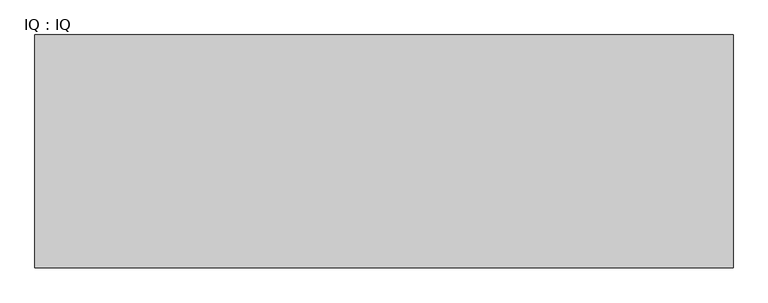
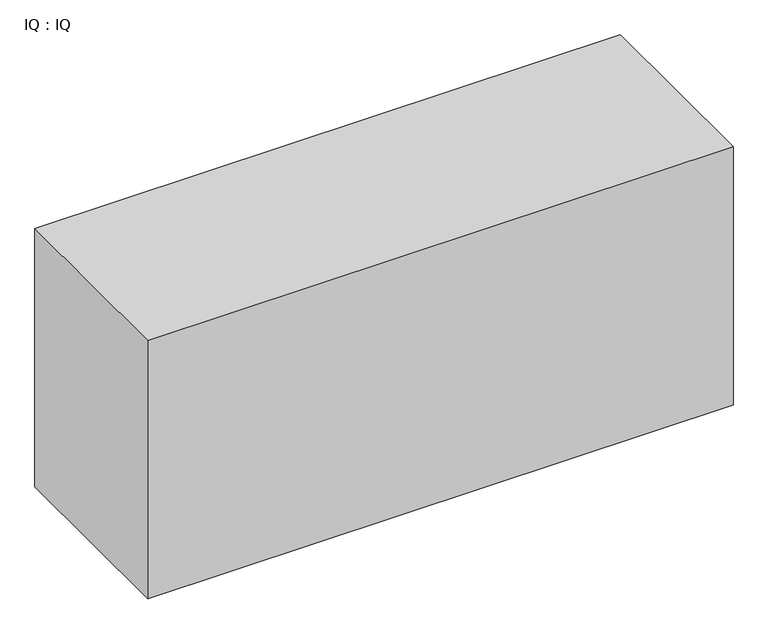
"""IFC4 building model written with IfcOpenShell, lengths in millimetres: proxy geometry, IQ : IQ."""

import ifcopenshell
import ifcopenshell.guid

model = None  # the IFC model being written
_history = None  # IfcOwnerHistory: only IFC2X3 demands one
_inside = {}  # id of a spatial element -> (the spatial element, [elements in it])
_under = {}  # id of a project, library or spatial element -> (it, [spatial elements below it])
_declared = {}  # id of a project -> (the project, [libraries it declares])
_typed = {}  # id of a type object -> (the type object, [elements of that type])
_made_of = {}  # id of a material, layer set ... -> (it, [elements and type objects made of it])


def new_model(schema):
    """Start an empty IFC model of exactly this schema.

    Asked for "IFC4X3", IfcOpenShell would pick the latest addendum, in which some entities
    have other attributes; the version numbers below select the first issue.
    IFC2X3 requires an IfcOwnerHistory on every rooted entity: one is made here for all.
    """
    global model, _history
    if schema == "IFC4X3":
        model = ifcopenshell.file(schema_version=(4, 3, 0, 0))
    else:
        model = ifcopenshell.file(schema=schema)
    _inside.clear()
    _under.clear()
    _declared.clear()
    _typed.clear()
    _made_of.clear()
    _history = None
    if model.schema == "IFC2X3":
        org = make("IfcOrganization", Name="unknown")
        user = make(
            "IfcPersonAndOrganization",
            ThePerson=make("IfcPerson", FamilyName="unknown"),
            TheOrganization=org,
        )
        app = make(
            "IfcApplication",
            ApplicationDeveloper=org,
            Version="unknown",
            ApplicationFullName="unknown",
            ApplicationIdentifier="unknown",
        )
        _history = make(
            "IfcOwnerHistory",
            OwningUser=user,
            OwningApplication=app,
            ChangeAction="ADDED",
            CreationDate=0,
        )
    return model


def make(cls, **values):
    """One entity of the class cls with the attributes given. An attribute that is None is left unset."""
    return model.create_entity(
        cls, **{name: value for name, value in values.items() if value is not None}
    )


def rooted(cls, **values):
    """An entity with a GlobalId (a new one), such as an element, a storey or a relation."""
    return make(cls, GlobalId=ifcopenshell.guid.new(), OwnerHistory=_history, **values)


def si_unit(unit_type, name, prefix=None):
    """IfcSIUnit, for example si_unit("LENGTHUNIT", "METRE", prefix="MILLI")."""
    return make("IfcSIUnit", UnitType=unit_type, Prefix=prefix, Name=name)


def assignment(units):
    """IfcUnitAssignment: the units of a project."""
    return None if units is None else make("IfcUnitAssignment", Units=units)


def point(xyz):
    """IfcCartesianPoint."""
    return None if xyz is None else make("IfcCartesianPoint", Coordinates=xyz)


def direction(xyz):
    """IfcDirection."""
    return None if xyz is None else make("IfcDirection", DirectionRatios=xyz)


def frame(location, z_axis=None, x_axis=None):
    """IfcAxis2Placement3D, a coordinate frame: its origin and axes. An axis left out is left unset."""
    return make(
        "IfcAxis2Placement3D",
        Location=point(location),
        Axis=direction(z_axis),
        RefDirection=direction(x_axis),
    )


def origin():
    """The frame at (0, 0, 0) with its axes left unset."""
    return frame((0.0, 0.0, 0.0))


def origin_with_axes():
    """The frame at (0, 0, 0) with the z axis (0, 0, 1) and the x axis (1, 0, 0) written out."""
    return frame((0.0, 0.0, 0.0), z_axis=(0.0, 0.0, 1.0), x_axis=(1.0, 0.0, 0.0))


def place(relative_to, where):
    """IfcLocalPlacement: puts the frame where relative to a parent placement (None: the world)."""
    return make(
        "IfcLocalPlacement", PlacementRelTo=relative_to, RelativePlacement=where
    )


def context(
    kind, dimensions, precision=None, world=None, true_north=None, identifier=None
):
    """IfcGeometricRepresentationContext, for example the 3D "Model" context."""
    return make(
        "IfcGeometricRepresentationContext",
        ContextIdentifier=identifier,
        ContextType=kind,
        CoordinateSpaceDimension=dimensions,
        Precision=precision,
        WorldCoordinateSystem=world,
        TrueNorth=true_north,
    )


def project(units=None, contexts=None):
    """IfcProject with its units and contexts."""
    return rooted(
        "IfcProject",
        Name="project",
        RepresentationContexts=contexts,
        UnitsInContext=assignment(units),
    )


def spatial(cls, under=None, at=None, **own):
    """A site, building, storey or space (cls), placed at a placement, below another one or the project."""
    s = rooted(cls, ObjectPlacement=at, **own)
    if under is not None:
        _under.setdefault(under.id(), (under, []))[1].append(s)
    return s


def polyline(points):
    """IfcPolyline through the points."""
    return make("IfcPolyline", Points=[point(p) for p in points])


def outline(outer, holes=None, kind="AREA"):
    """IfcArbitraryClosedProfileDef: a profile drawn as a closed curve; with holes, ...WithVoids."""
    if holes is None:
        return make("IfcArbitraryClosedProfileDef", ProfileType=kind, OuterCurve=outer)
    return make(
        "IfcArbitraryProfileDefWithVoids",
        ProfileType=kind,
        OuterCurve=outer,
        InnerCurves=holes,
    )


def extrude(swept, where, along, depth):
    """IfcExtrudedAreaSolid: the profile swept, set in the frame where, extruded along a direction by depth."""
    return make(
        "IfcExtrudedAreaSolid",
        SweptArea=swept,
        Position=where,
        ExtrudedDirection=direction(along),
        Depth=depth,
    )


def shape(context_of_items, identifier, shape_type, items):
    """IfcShapeRepresentation: the items that make up one representation, for example the "Body"."""
    return make(
        "IfcShapeRepresentation",
        ContextOfItems=context_of_items,
        RepresentationIdentifier=identifier,
        RepresentationType=shape_type,
        Items=items,
    )


def source(mapping_origin, context_of_items, identifier, shape_type, items):
    """IfcRepresentationMap: a shape defined once, which mapped items show again and again."""
    return make(
        "IfcRepresentationMap",
        MappingOrigin=mapping_origin,
        MappedRepresentation=shape(context_of_items, identifier, shape_type, items),
    )


def transform(
    local_origin,
    x_axis=None,
    y_axis=None,
    z_axis=None,
    scale=None,
    scale2=None,
    scale3=None,
    uniform=True,
):
    """IfcCartesianTransformationOperator3D, or its non-uniform kind. x_axis, y_axis, z_axis: its Axis1, 2, 3."""
    if uniform:
        return make(
            "IfcCartesianTransformationOperator3D",
            Axis1=direction(x_axis),
            Axis2=direction(y_axis),
            LocalOrigin=point(local_origin),
            Scale=scale,
            Axis3=direction(z_axis),
        )
    return make(
        "IfcCartesianTransformationOperator3DnonUniform",
        Axis1=direction(x_axis),
        Axis2=direction(y_axis),
        LocalOrigin=point(local_origin),
        Scale=scale,
        Axis3=direction(z_axis),
        Scale2=scale2,
        Scale3=scale3,
    )


def mapped(mapping_source, mapping_target):
    """IfcMappedItem: shows the shape of a source again, moved by a transform."""
    return make(
        "IfcMappedItem", MappingSource=mapping_source, MappingTarget=mapping_target
    )


def made_of(thing, what):
    """Note that an element or type object is made of a material, layer set ...; save() writes the relation."""
    if what is not None:
        _made_of.setdefault(what.id(), (what, []))[1].append(thing)
    return thing


def element(
    cls,
    number,
    at=None,
    inside=None,
    cuts=None,
    type_object=None,
    material=None,
    context=None,
    identifier="Body",
    shape_type=None,
    held_by="IfcProductDefinitionShape",
    body=None,
    shapes=None,
    **own,
):
    """One element of the class cls, such as IfcWall. Its Tag is "e" and its number.

    at: its placement. inside: the storey or other place that contains it. cuts: it is an
    opening in that element (IfcRelVoidsElement). A single representation is given by context,
    identifier, shape_type and body (its items); several are given by shapes. held_by: the class
    of the entity that holds the representations. save() writes the other relations.
    """
    e = rooted(cls, Tag="e%d" % number, ObjectPlacement=at, **own)
    if body is not None:
        shapes = [shape(context, identifier, shape_type, body)]
    if shapes is not None:
        e.Representation = make(held_by, Representations=shapes)
    if inside is not None:
        _inside.setdefault(inside.id(), (inside, []))[1].append(e)
    if cuts is not None:
        rooted(
            "IfcRelVoidsElement", RelatingBuildingElement=cuts, RelatedOpeningElement=e
        )
    if type_object is not None:
        _typed.setdefault(type_object.id(), (type_object, []))[1].append(e)
    return made_of(e, material)


def aggregate(whole, parts):
    """IfcRelAggregates: a whole, such as a stair, and the parts it consists of."""
    return rooted("IfcRelAggregates", RelatingObject=whole, RelatedObjects=parts)


def save(model, path):
    """Write the relations noted so far, then the file.

    IfcRelAggregates (storeys below a building ...), IfcRelContainedInSpatialStructure (elements
    in a storey), IfcRelDefinesByType, IfcRelAssociatesMaterial and IfcRelDeclares: one each for
    every whole, place, type object, material and project.
    """
    for whole, parts in _under.values():
        aggregate(whole, parts)
    for where, things in _inside.values():
        rooted(
            "IfcRelContainedInSpatialStructure",
            RelatedElements=things,
            RelatingStructure=where,
        )
    for kind, things in _typed.values():
        rooted("IfcRelDefinesByType", RelatedObjects=things, RelatingType=kind)
    for what, things in _made_of.values():
        rooted("IfcRelAssociatesMaterial", RelatedObjects=things, RelatingMaterial=what)
    for by, libraries in _declared.values():
        rooted("IfcRelDeclares", RelatingContext=by, RelatedDefinitions=libraries)
    model.write(path)


def iq_iq_639eca7c(model_context):
    return source(origin(), model_context, "Body", "SweptSolid", [
        extrude(outline(polyline([(1500.0, 500.0), (1500.0, 0.0), (0.0, 0.0), (0.0, 500.0), (1500.0, 500.0)])), origin_with_axes(), (0.0, 0.0, 1.0), 700.0),
    ])


if __name__ == "__main__":
    model = new_model("IFC4")
    model_context = context("Model", 3, world=origin())
    ifc_project = project(units=[si_unit("LENGTHUNIT", "METRE", prefix="MILLI")], contexts=[model_context])
    site = spatial("IfcSite", under=ifc_project)
    building = spatial("IfcBuilding", under=site)
    placement = place(None, origin())
    iq_iq_shape = iq_iq_639eca7c(model_context)
    element("IfcBuildingElementProxy", 1, Name="IQ : IQ", ObjectType="IQ : IQ", at=placement, inside=building, context=model_context, shape_type="MappedRepresentation", body=[
        mapped(iq_iq_shape, transform((0.0, 0.0, 0.0), x_axis=(1.0, 0.0, 0.0), y_axis=(0.0, 1.0, 0.0), z_axis=(0.0, 0.0, 1.0))),
    ])
    save(model, "model.ifc")
